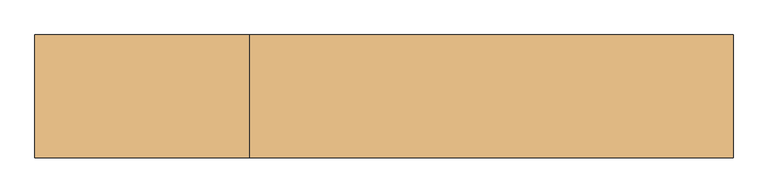
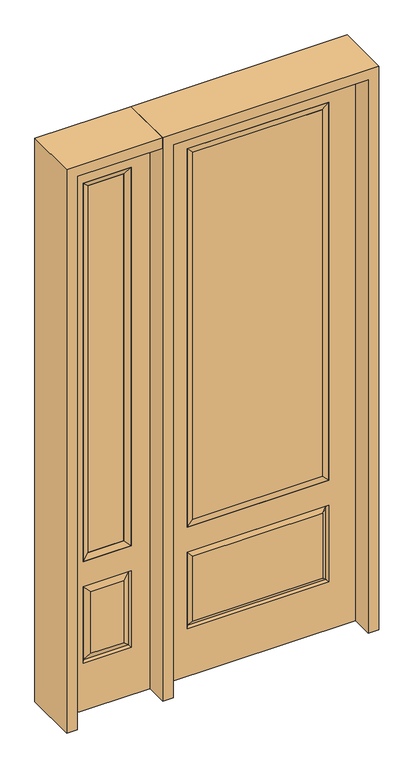
"""IFC4 building model written with IfcOpenShell, lengths in millimetres: door geometry."""

from ifc_helpers import new_model, si_unit, frame, origin, place, context, project, spatial, polyline, outline, extrude, faceted_brep, source, transform, mapped, element, save


def door_97360580(model_context):
    return source(origin(), model_context, "Body", "SolidModel", [
        faceted_brep([(-806.45, -22.225, 0.0), (-450.85, -22.225, 0.0), (-450.85, -22.225, 2438.4), (-806.45, -22.225, 2438.4), (-528.32, -22.225, 2325.624), (-528.32, -22.225, 657.098), (-728.98, -22.225, 657.098), (-728.98, -22.225, 2325.624), (-528.32, -22.225, 209.55), (-728.98, -22.225, 209.55), (-728.98, -22.225, 546.1), (-528.32, -22.225, 546.1), (-697.2648999, -22.225, 241.2651001), (-560.0351001, -22.225, 241.2651001), (-560.0351001, -22.225, 514.3848999), (-697.2648999, -22.225, 514.3848999), (-806.45, 22.225, 0.0), (-806.45, 22.225, 2438.4), (-450.85, 22.225, 2438.4), (-450.85, 22.225, 0.0), (-528.32, 22.225, 2325.624), (-728.98, 22.225, 2325.624), (-728.98, 22.225, 657.098), (-528.32, 22.225, 657.098), (-728.98, 22.225, 209.55), (-528.32, 22.225, 209.55), (-528.32, 22.225, 546.1), (-728.98, 22.225, 546.1), (-560.0351001, 22.225, 241.2651001), (-697.2648999, 22.225, 241.2651001), (-697.2648999, 22.225, 514.3848999), (-560.0351001, 22.225, 514.3848999), (-535.4288501, 12.7912373, 216.6588501), (-721.8711499, 12.7912373, 216.6588501), (-721.8711499, 12.7912373, 538.9911499), (-535.4288501, 12.7912373, 538.9911499), (-721.8711499, -12.7912373, 216.6588501), (-535.4288501, -12.7912373, 216.6588501), (-721.8711499, -12.7912373, 538.9911499), (-535.4288501, -12.7912373, 538.9911499)], [[[0, 1, 2, 3], [4, 5, 6, 7], [8, 9, 10, 11]], [[12, 13, 14, 15]], [[16, 17, 18, 19], [20, 21, 22, 23], [24, 25, 26, 27]], [[28, 29, 30, 31]], [[1, 0, 16, 19]], [[2, 1, 19, 18]], [[3, 2, 18, 17]], [[0, 3, 17, 16]], [[5, 4, 20, 23]], [[6, 5, 23, 22]], [[7, 6, 22, 21]], [[4, 7, 21, 20]], [[32, 33, 29, 28]], [[33, 32, 25, 24]], [[29, 33, 34, 30]], [[33, 24, 27, 34]], [[30, 34, 35, 31]], [[34, 27, 26, 35]], [[32, 28, 31, 35]], [[25, 32, 35, 26]], [[12, 36, 37, 13]], [[37, 36, 9, 8]], [[36, 12, 15, 38]], [[9, 36, 38, 10]], [[38, 15, 14, 39]], [[10, 38, 39, 11]], [[13, 37, 39, 14]], [[37, 8, 11, 39]]]),
        faceted_brep([(-728.98, 22.225, 2325.624), (-728.98, -22.225, 2325.624), (-528.32, -22.225, 2325.624), (-528.32, 22.225, 2325.624), (-703.58, 12.7, 2300.224), (-553.72, 12.7, 2300.224), (-703.58, -12.7, 2300.224), (-553.72, -12.7, 2300.224), (-528.32, -22.225, 657.098), (-528.32, 22.225, 657.098), (-553.72, 12.7, 682.498), (-553.72, -12.7, 682.498), (-728.98, -22.225, 657.098), (-728.98, 22.225, 657.098), (-703.58, 12.7, 682.498), (-703.58, -12.7, 682.498)], [[[0, 1, 2, 3]], [[4, 0, 3, 5]], [[6, 4, 5, 7]], [[1, 6, 7, 2]], [[3, 2, 8, 9]], [[5, 3, 9, 10]], [[7, 5, 10, 11]], [[2, 7, 11, 8]], [[9, 8, 12, 13]], [[10, 9, 13, 14]], [[11, 10, 14, 15]], [[8, 11, 15, 12]], [[13, 12, 1, 0]], [[14, 13, 0, 4]], [[15, 14, 4, 6]], [[12, 15, 6, 1]]]),
        extrude(outline(polyline([(-553.72, -12.7), (-703.58, -12.7), (-703.58, 12.7), (-553.72, 12.7), (-553.72, -12.7)])), frame((0.0, 0.0, 682.498), z_axis=(0.0, 0.0, 1.0), x_axis=(1.0, 0.0, 0.0)), (0.0, 0.0, 1.0), 1617.726),
        extrude(outline(polyline([(269.875, -20.32), (-269.875, -20.32), (-269.875, 5.08), (269.875, 5.08), (269.875, -20.32)])), frame((0.0, 0.0, 682.498), z_axis=(0.0, 0.0, 1.0), x_axis=(1.0, 0.0, 0.0)), (0.0, 0.0, 1.0), 1616.202),
        faceted_brep([(-288.1661499, -12.7912373, 216.6588501), (288.1661499, -12.7912373, 216.6588501), (270.66875, -22.225, 234.15625), (-270.66875, -22.225, 234.15625), (-295.275, -22.225, 209.55), (295.275, -22.225, 209.55), (-288.1661499, -12.7912373, 538.9911499), (-295.275, -22.225, 546.1), (270.66875, -22.225, 521.49375), (-270.66875, -22.225, 521.49375), (406.4, -22.225, 2438.4), (-406.4, -22.225, 2438.4), (-406.4, -22.225, 0.0), (406.4, -22.225, 0.0), (295.275, -22.225, 546.1), (295.275, -22.225, 2324.1), (295.275, -22.225, 657.098), (-295.275, -22.225, 657.098), (-295.275, -22.225, 2324.1), (288.1661499, -12.7912373, 538.9911499), (-406.4, 22.225, 2438.4), (-406.4, 22.225, 0.0), (406.4, 22.225, 0.0), (406.4, 22.225, 2438.4), (295.275, 22.225, 2324.1), (295.275, 22.225, 657.098), (-295.275, 22.225, 657.098), (-295.275, 22.225, 2324.1), (-295.275, 22.225, 209.55), (295.275, 22.225, 209.55), (295.275, 22.225, 546.1), (-295.275, 22.225, 546.1), (270.66875, 22.225, 234.15625), (-270.66875, 22.225, 234.15625), (-270.66875, 22.225, 521.49375), (270.66875, 22.225, 521.49375), (-288.1661499, 12.7912373, 216.6588501), (288.1661499, 12.7912373, 216.6588501), (288.1661499, 12.7912373, 538.9911499), (-288.1661499, 12.7912373, 538.9911499)], [[[0, 1, 2, 3]], [[1, 0, 4, 5]], [[4, 0, 6, 7]], [[3, 2, 8, 9]], [[10, 11, 12, 13], [5, 4, 7, 14], [15, 16, 17, 18]], [[1, 5, 14, 19]], [[2, 1, 19, 8]], [[0, 3, 9, 6]], [[7, 6, 19, 14]], [[6, 9, 8, 19]], [[12, 11, 20, 21]], [[13, 12, 21, 22]], [[10, 13, 22, 23]], [[16, 15, 24, 25]], [[17, 16, 25, 26]], [[18, 17, 26, 27]], [[23, 22, 21, 20], [28, 29, 30, 31], [24, 27, 26, 25]], [[32, 33, 34, 35]], [[28, 36, 37, 29]], [[29, 37, 38, 30]], [[39, 31, 30, 38]], [[36, 28, 31, 39]], [[37, 36, 33, 32]], [[33, 36, 39, 34]], [[34, 39, 38, 35]], [[37, 32, 35, 38]], [[11, 10, 23, 20]], [[15, 18, 27, 24]]]),
        faceted_brep([(-295.275, -22.225, 2324.1), (-295.275, 22.225, 2324.1), (-295.275, 22.225, 657.098), (-295.275, -22.225, 657.098), (295.275, 22.225, 657.098), (295.275, -22.225, 657.098), (-269.875, 5.08, 682.498), (269.875, 5.08, 682.498), (295.275, 22.225, 2324.1), (295.275, -22.225, 2324.1), (-269.875, -20.32, 682.498), (269.875, -20.32, 682.498), (-269.875, -20.32, 2298.7), (269.875, -20.32, 2298.7), (-269.875, 5.08, 2298.7), (269.875, 5.08, 2298.7)], [[[0, 1, 2, 3]], [[3, 2, 4, 5]], [[2, 6, 7, 4]], [[5, 4, 8, 9]], [[10, 3, 5, 11]], [[12, 0, 3, 10]], [[11, 5, 9, 13]], [[6, 10, 11, 7]], [[14, 12, 10, 6]], [[7, 11, 13, 15]], [[1, 14, 6, 2]], [[4, 7, 15, 8]], [[9, 8, 1, 0]], [[13, 9, 0, 12]], [[15, 13, 12, 14]], [[8, 15, 14, 1]]]),
        extrude(outline(polyline([(2438.4, -450.85), (2482.85, -450.85), (2482.85, -850.9), (0.0, -850.9), (0.0, -806.45), (2438.4, -806.45), (2438.4, -450.85)])), frame((0.0, -114.3, 0.0), z_axis=(0.0, 1.0, 0.0), x_axis=(0.0, 0.0, 1.0)), (0.0, 0.0, 1.0), 228.6),
        extrude(outline(polyline([(2482.85, -450.85), (0.0, -450.85), (0.0, -406.4), (2438.4, -406.4), (2438.4, 406.4), (0.0, 406.4), (0.0, 450.85), (2482.85, 450.85), (2482.85, -450.85)])), frame((0.0, -114.3, 0.0), z_axis=(0.0, 1.0, 0.0), x_axis=(0.0, 0.0, 1.0)), (0.0, 0.0, 1.0), 228.6),
    ])


if __name__ == "__main__":
    model = new_model("IFC4")
    model_context = context("Model", 3, world=origin())
    ifc_project = project(units=[si_unit("LENGTHUNIT", "METRE", prefix="MILLI")], contexts=[model_context])
    site = spatial("IfcSite", under=ifc_project)
    building = spatial("IfcBuilding", under=site)
    placement = place(None, origin())
    door_shape = door_97360580(model_context)
    element("IfcDoor", 1, at=placement, inside=building, context=model_context, shape_type="MappedRepresentation", body=[
        mapped(door_shape, transform((0.0, 0.0, 0.0), x_axis=(1.0, 0.0, 0.0), y_axis=(0.0, 1.0, 0.0), z_axis=(0.0, 0.0, 1.0))),
    ])
    save(model, "model.ifc")
